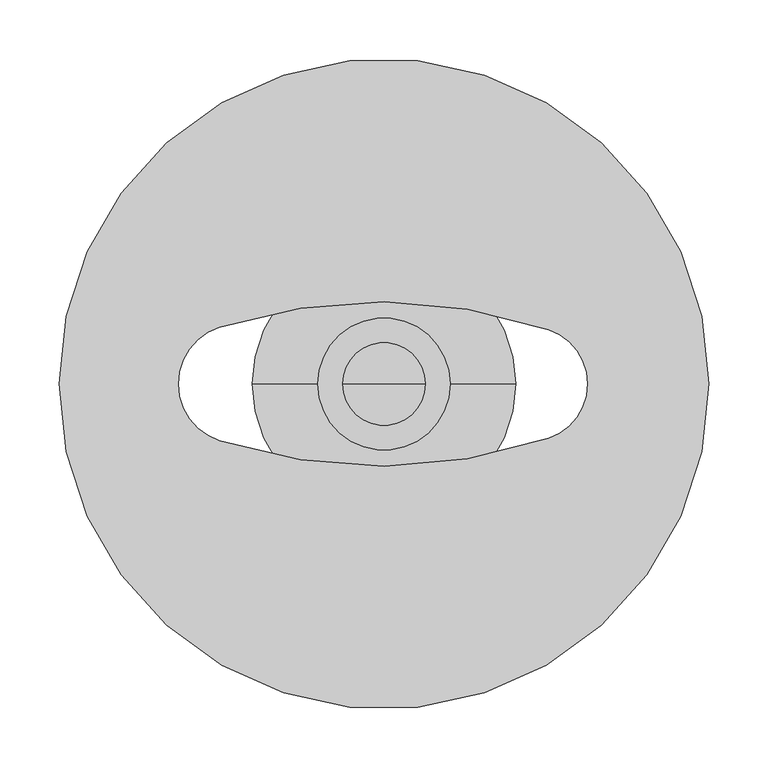
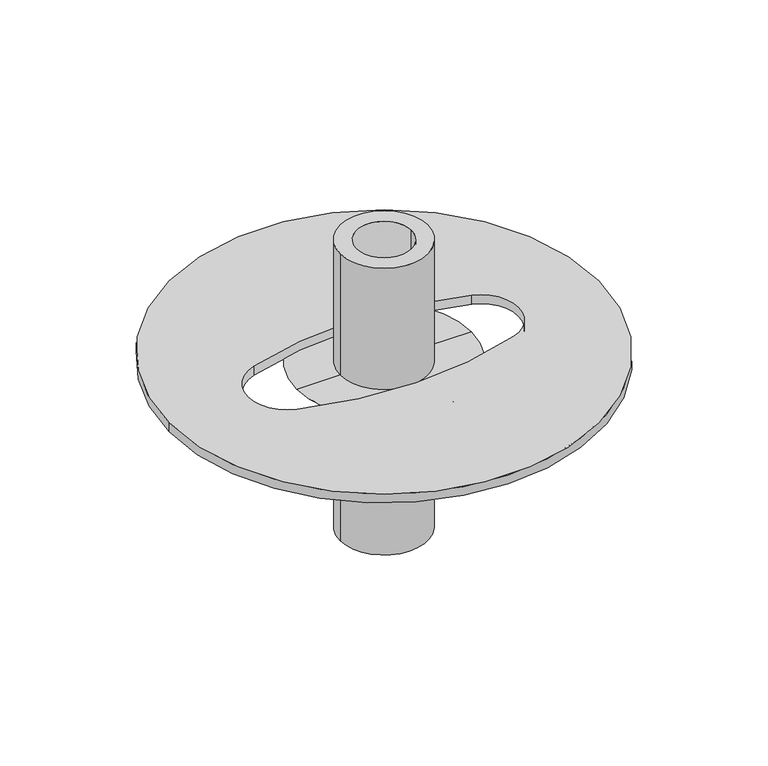
"""IFC4 building model written with IfcOpenShell, lengths in millimetres: proxy geometry."""

from ifc_helpers import new_model, si_unit, point, frame, frame_2d, origin, place, context, project, spatial, circle_curve, ellipse_curve, trimmed, segment, composite_curve, outline, extrude, source, transform, mapped, element, save
from ifc_brep_helpers import plane_surface, revolved_surface, advanced_brep


def specialty_equipment_18ebe09e(model_context):
    return source(origin(), model_context, "Body", "SolidModel", [
        extrude(outline(composite_curve([segment(trimmed(circle_curve(frame_2d((0.0, -0.0039063)), 275.0), [point((-275.0, -0.0039063))], [point((275.0, -0.0039063))], False, "CARTESIAN"), True, "CONTINUOUS"), segment(trimmed(circle_curve(frame_2d((0.0, -0.0039063)), 275.0), [point((275.0, -0.0039063))], [point((-275.0, -0.0039063))], False, "CARTESIAN"), True, "CONTINUOUS")], self_intersect=False), holes=[composite_curve([segment(trimmed(circle_curve(frame_2d((-123.4334485, 0.0)), 50.3528776), [point((-139.0365078, 47.8743859))], [point((-139.0365078, -47.8743859))], True, "CARTESIAN"), True, "CONTINUOUS"), segment(trimmed(circle_curve(frame_2d((-2.6918455, 370.4677386)), 440.0), [point((-139.0365078, -47.8743859))], [point((139.1272929, -46.0503667))], True, "CARTESIAN"), True, "CONTINUOUS"), segment(trimmed(circle_curve(frame_2d((123.4477264, 0.0)), 48.646532), [point((139.1272929, -46.0503667))], [point((139.1272929, 46.0503667))], True, "CARTESIAN"), True, "CONTINUOUS"), segment(trimmed(circle_curve(frame_2d((-2.6918455, -370.4677386)), 440.0), [point((139.1272929, 46.0503667))], [point((-139.0365078, 47.8743859))], True, "CARTESIAN"), True, "CONTINUOUS")], self_intersect=False)]), frame((0.0, 0.0, 2900.0), z_axis=(0.0, 0.0, 1.0), x_axis=(1.0, 0.0, 0.0)), (0.0, 0.0, 1.0), 12.0),
        extrude(outline(composite_curve([segment(trimmed(circle_curve(frame_2d((0.0, -0.0039063)), 56.0), [point((56.0, -0.0039063))], [point((-56.0, -0.0039063))], False, "CARTESIAN"), True, "CONTINUOUS"), segment(trimmed(circle_curve(frame_2d((0.0, -0.0039063)), 56.0), [point((-56.0, -0.0039063))], [point((56.0, -0.0039063))], False, "CARTESIAN"), True, "CONTINUOUS")], self_intersect=False), holes=[composite_curve([segment(trimmed(circle_curve(frame_2d((0.0, -0.0039063)), 35.0), [point((35.0, -0.0039063))], [point((-35.0, -0.0039063))], True, "CARTESIAN"), True, "CONTINUOUS"), segment(trimmed(circle_curve(frame_2d((0.0, -0.0039063)), 35.0), [point((-35.0, -0.0039063))], [point((35.0, -0.0039063))], True, "CARTESIAN"), True, "CONTINUOUS")], self_intersect=False)]), frame((0.0, 0.0, 2676.1851215), z_axis=(0.0, 0.0, 1.0), x_axis=(1.0, 0.0, 0.0)), (0.0, 0.0, 1.0), 387.8148785),
        advanced_brep(
        [(111.517182, 0.0, 2900.3179507), (-111.517182, 0.0, 2900.3179507), (0.0, 0.0, 2900.3179507), (81.5375235, 0.0, 2886.8179507), (-81.5375235, 0.0, 2886.8179507), (0.0, 0.0, 2886.8179507)],
        [
            (0, 1, circle_curve(frame((0.0, 0.0, 2900.3179507), z_axis=(0.0, 0.0, 1.0), x_axis=(-1.0, 0.0, 0.0)), 111.517182)),
            (1, 2),
            (2, 0),
            (1, 0, circle_curve(frame((0.0, 0.0, 2900.3179507), z_axis=(0.0, 0.0, 1.0), x_axis=(-1.0, 0.0, 0.0)), 111.517182)),
            (3, 4, circle_curve(frame((0.0, 0.0, 2886.8179507), z_axis=(0.0, 0.0, 1.0), x_axis=(-1.0, 0.0, 0.0)), 81.5375235)),
            (4, 1, circle_curve(frame((-81.5375235, 0.0, 2926.8560961), z_axis=(0.0, 1.0, 0.0), x_axis=(-1.0, 0.0, 0.0)), 40.0381454)),
            (0, 3, circle_curve(frame((81.5375235, 0.0, 2926.8560961), z_axis=(0.0, 1.0, 0.0), x_axis=(1.0, 0.0, 0.0)), 40.0381454)),
            (4, 3, circle_curve(frame((0.0, 0.0, 2886.8179507), z_axis=(0.0, 0.0, 1.0), x_axis=(-1.0, 0.0, 0.0)), 81.5375235)),
            (5, 4),
            (3, 5),
        ],
        [
            plane_surface(frame((0.0, 0.0, 2900.3179507), z_axis=(0.0, 0.0, 1.0), x_axis=(-1.0, 0.0, 0.0))),
            revolved_surface(trimmed(ellipse_curve(frame((-81.5375235, 0.0, 2926.8560961), z_axis=(0.0, -1.0, 0.0), x_axis=(-1.0, 0.0, 0.0)), 40.0381454, 40.0381454), [point((-111.517182, 0.0, 2900.3179507))], [point((-81.5375235, 0.0, 2886.8179507))], True, "CARTESIAN"), (0.0, 0.0, 2900.3179507), (0.0, 0.0, -1.0)),
            plane_surface(frame((0.0, 0.0, 2886.8179507), z_axis=(0.0, 0.0, -1.0), x_axis=(-1.0, 0.0, 0.0))),
        ],
        [
            (0, [[1, 2, 3]]),
            (0, [[4, -3, -2]]),
            (1, [[5, 6, -1, 7]]),
            (1, [[8, -7, -4, -6]]),
            (2, [[9, -5, 10]]),
            (2, [[-10, -8, -9]]),
        ],
    ),
    ])


if __name__ == "__main__":
    model = new_model("IFC4")
    model_context = context("Model", 3, world=origin())
    ifc_project = project(units=[si_unit("LENGTHUNIT", "METRE", prefix="MILLI")], contexts=[model_context])
    site = spatial("IfcSite", under=ifc_project)
    building = spatial("IfcBuilding", under=site)
    placement = place(None, origin())
    specialty_equipment_shape = specialty_equipment_18ebe09e(model_context)
    element("IfcBuildingElementProxy", 1, Name="Specialty Equipment", at=placement, inside=building, context=model_context, shape_type="MappedRepresentation", body=[
        mapped(specialty_equipment_shape, transform((0.0, 0.0, 0.0), x_axis=(1.0, 0.0, 0.0), y_axis=(0.0, 1.0, 0.0), z_axis=(0.0, 0.0, 1.0))),
    ])
    save(model, "model.ifc")
